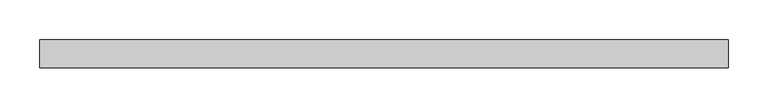
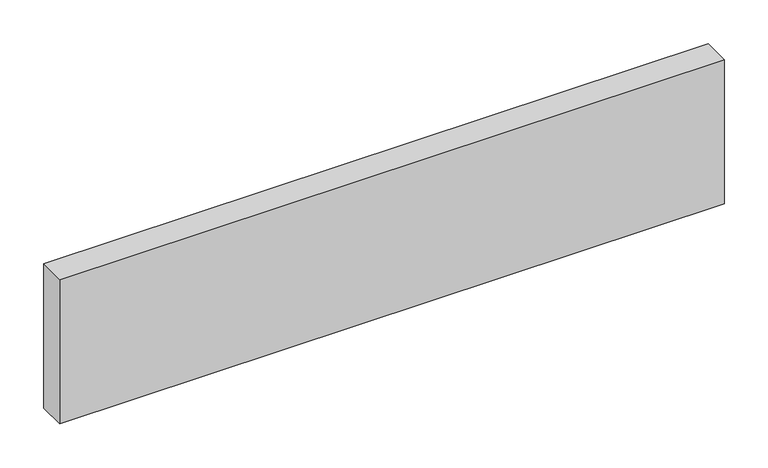
"""IFC4 building model written with IfcOpenShell, lengths in millimetres: beam geometry."""

from ifc_helpers import new_model, si_unit, frame, origin, place, context, project, spatial, polyline, outline, extrude, source, transform, mapped, element, save


def beam_33a3118b(model_context):
    return source(origin(), model_context, "Body", "SweptSolid", [
        extrude(outline(polyline([(435.9, -18.0), (-435.9, -18.0), (-435.9, 18.0), (435.9, 18.0), (435.9, -18.0)])), frame((0.0, 0.0, -100.0), z_axis=(0.0, 0.0, 1.0), x_axis=(1.0, 0.0, 0.0)), (0.0, 0.0, 1.0), 200.0),
    ])


if __name__ == "__main__":
    model = new_model("IFC4")
    model_context = context("Model", 3, world=origin())
    ifc_project = project(units=[si_unit("LENGTHUNIT", "METRE", prefix="MILLI")], contexts=[model_context])
    site = spatial("IfcSite", under=ifc_project)
    building = spatial("IfcBuilding", under=site)
    placement = place(None, origin())
    beam_shape = beam_33a3118b(model_context)
    element("IfcBeam", 1, at=placement, inside=building, context=model_context, shape_type="MappedRepresentation", body=[
        mapped(beam_shape, transform((0.0, 0.0, 0.0), x_axis=(1.0, 0.0, 0.0), y_axis=(0.0, 1.0, 0.0), z_axis=(0.0, 0.0, 1.0))),
    ])
    save(model, "model.ifc")
